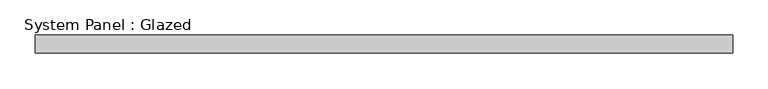
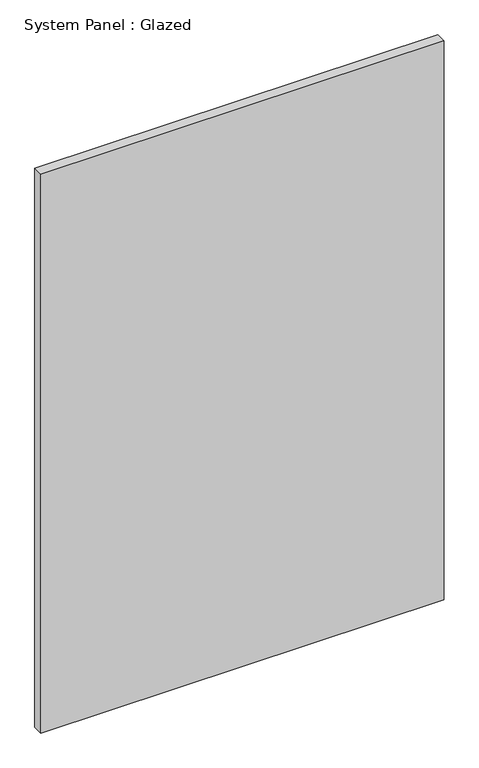
"""IFC4 building model written with IfcOpenShell, lengths in millimetres: plate geometry, System Panel : Glazed."""

import ifcopenshell
import ifcopenshell.guid

model = None  # the IFC model being written
_history = None  # IfcOwnerHistory: only IFC2X3 demands one
_inside = {}  # id of a spatial element -> (the spatial element, [elements in it])
_under = {}  # id of a project, library or spatial element -> (it, [spatial elements below it])
_declared = {}  # id of a project -> (the project, [libraries it declares])
_typed = {}  # id of a type object -> (the type object, [elements of that type])
_made_of = {}  # id of a material, layer set ... -> (it, [elements and type objects made of it])


def new_model(schema):
    """Start an empty IFC model of exactly this schema.

    Asked for "IFC4X3", IfcOpenShell would pick the latest addendum, in which some entities
    have other attributes; the version numbers below select the first issue.
    IFC2X3 requires an IfcOwnerHistory on every rooted entity: one is made here for all.
    """
    global model, _history
    if schema == "IFC4X3":
        model = ifcopenshell.file(schema_version=(4, 3, 0, 0))
    else:
        model = ifcopenshell.file(schema=schema)
    _inside.clear()
    _under.clear()
    _declared.clear()
    _typed.clear()
    _made_of.clear()
    _history = None
    if model.schema == "IFC2X3":
        org = make("IfcOrganization", Name="unknown")
        user = make(
            "IfcPersonAndOrganization",
            ThePerson=make("IfcPerson", FamilyName="unknown"),
            TheOrganization=org,
        )
        app = make(
            "IfcApplication",
            ApplicationDeveloper=org,
            Version="unknown",
            ApplicationFullName="unknown",
            ApplicationIdentifier="unknown",
        )
        _history = make(
            "IfcOwnerHistory",
            OwningUser=user,
            OwningApplication=app,
            ChangeAction="ADDED",
            CreationDate=0,
        )
    return model


def make(cls, **values):
    """One entity of the class cls with the attributes given. An attribute that is None is left unset."""
    return model.create_entity(
        cls, **{name: value for name, value in values.items() if value is not None}
    )


def rooted(cls, **values):
    """An entity with a GlobalId (a new one), such as an element, a storey or a relation."""
    return make(cls, GlobalId=ifcopenshell.guid.new(), OwnerHistory=_history, **values)


def si_unit(unit_type, name, prefix=None):
    """IfcSIUnit, for example si_unit("LENGTHUNIT", "METRE", prefix="MILLI")."""
    return make("IfcSIUnit", UnitType=unit_type, Prefix=prefix, Name=name)


def assignment(units):
    """IfcUnitAssignment: the units of a project."""
    return None if units is None else make("IfcUnitAssignment", Units=units)


def point(xyz):
    """IfcCartesianPoint."""
    return None if xyz is None else make("IfcCartesianPoint", Coordinates=xyz)


def direction(xyz):
    """IfcDirection."""
    return None if xyz is None else make("IfcDirection", DirectionRatios=xyz)


def frame(location, z_axis=None, x_axis=None):
    """IfcAxis2Placement3D, a coordinate frame: its origin and axes. An axis left out is left unset."""
    return make(
        "IfcAxis2Placement3D",
        Location=point(location),
        Axis=direction(z_axis),
        RefDirection=direction(x_axis),
    )


def origin():
    """The frame at (0, 0, 0) with its axes left unset."""
    return frame((0.0, 0.0, 0.0))


def origin_with_axes():
    """The frame at (0, 0, 0) with the z axis (0, 0, 1) and the x axis (1, 0, 0) written out."""
    return frame((0.0, 0.0, 0.0), z_axis=(0.0, 0.0, 1.0), x_axis=(1.0, 0.0, 0.0))


def place(relative_to, where):
    """IfcLocalPlacement: puts the frame where relative to a parent placement (None: the world)."""
    return make(
        "IfcLocalPlacement", PlacementRelTo=relative_to, RelativePlacement=where
    )


def context(
    kind, dimensions, precision=None, world=None, true_north=None, identifier=None
):
    """IfcGeometricRepresentationContext, for example the 3D "Model" context."""
    return make(
        "IfcGeometricRepresentationContext",
        ContextIdentifier=identifier,
        ContextType=kind,
        CoordinateSpaceDimension=dimensions,
        Precision=precision,
        WorldCoordinateSystem=world,
        TrueNorth=true_north,
    )


def project(units=None, contexts=None):
    """IfcProject with its units and contexts."""
    return rooted(
        "IfcProject",
        Name="project",
        RepresentationContexts=contexts,
        UnitsInContext=assignment(units),
    )


def spatial(cls, under=None, at=None, **own):
    """A site, building, storey or space (cls), placed at a placement, below another one or the project."""
    s = rooted(cls, ObjectPlacement=at, **own)
    if under is not None:
        _under.setdefault(under.id(), (under, []))[1].append(s)
    return s


def polyline(points):
    """IfcPolyline through the points."""
    return make("IfcPolyline", Points=[point(p) for p in points])


def outline(outer, holes=None, kind="AREA"):
    """IfcArbitraryClosedProfileDef: a profile drawn as a closed curve; with holes, ...WithVoids."""
    if holes is None:
        return make("IfcArbitraryClosedProfileDef", ProfileType=kind, OuterCurve=outer)
    return make(
        "IfcArbitraryProfileDefWithVoids",
        ProfileType=kind,
        OuterCurve=outer,
        InnerCurves=holes,
    )


def extrude(swept, where, along, depth):
    """IfcExtrudedAreaSolid: the profile swept, set in the frame where, extruded along a direction by depth."""
    return make(
        "IfcExtrudedAreaSolid",
        SweptArea=swept,
        Position=where,
        ExtrudedDirection=direction(along),
        Depth=depth,
    )


def shape(context_of_items, identifier, shape_type, items):
    """IfcShapeRepresentation: the items that make up one representation, for example the "Body"."""
    return make(
        "IfcShapeRepresentation",
        ContextOfItems=context_of_items,
        RepresentationIdentifier=identifier,
        RepresentationType=shape_type,
        Items=items,
    )


def source(mapping_origin, context_of_items, identifier, shape_type, items):
    """IfcRepresentationMap: a shape defined once, which mapped items show again and again."""
    return make(
        "IfcRepresentationMap",
        MappingOrigin=mapping_origin,
        MappedRepresentation=shape(context_of_items, identifier, shape_type, items),
    )


def transform(
    local_origin,
    x_axis=None,
    y_axis=None,
    z_axis=None,
    scale=None,
    scale2=None,
    scale3=None,
    uniform=True,
):
    """IfcCartesianTransformationOperator3D, or its non-uniform kind. x_axis, y_axis, z_axis: its Axis1, 2, 3."""
    if uniform:
        return make(
            "IfcCartesianTransformationOperator3D",
            Axis1=direction(x_axis),
            Axis2=direction(y_axis),
            LocalOrigin=point(local_origin),
            Scale=scale,
            Axis3=direction(z_axis),
        )
    return make(
        "IfcCartesianTransformationOperator3DnonUniform",
        Axis1=direction(x_axis),
        Axis2=direction(y_axis),
        LocalOrigin=point(local_origin),
        Scale=scale,
        Axis3=direction(z_axis),
        Scale2=scale2,
        Scale3=scale3,
    )


def mapped(mapping_source, mapping_target):
    """IfcMappedItem: shows the shape of a source again, moved by a transform."""
    return make(
        "IfcMappedItem", MappingSource=mapping_source, MappingTarget=mapping_target
    )


def made_of(thing, what):
    """Note that an element or type object is made of a material, layer set ...; save() writes the relation."""
    if what is not None:
        _made_of.setdefault(what.id(), (what, []))[1].append(thing)
    return thing


def element(
    cls,
    number,
    at=None,
    inside=None,
    cuts=None,
    type_object=None,
    material=None,
    context=None,
    identifier="Body",
    shape_type=None,
    held_by="IfcProductDefinitionShape",
    body=None,
    shapes=None,
    **own,
):
    """One element of the class cls, such as IfcWall. Its Tag is "e" and its number.

    at: its placement. inside: the storey or other place that contains it. cuts: it is an
    opening in that element (IfcRelVoidsElement). A single representation is given by context,
    identifier, shape_type and body (its items); several are given by shapes. held_by: the class
    of the entity that holds the representations. save() writes the other relations.
    """
    e = rooted(cls, Tag="e%d" % number, ObjectPlacement=at, **own)
    if body is not None:
        shapes = [shape(context, identifier, shape_type, body)]
    if shapes is not None:
        e.Representation = make(held_by, Representations=shapes)
    if inside is not None:
        _inside.setdefault(inside.id(), (inside, []))[1].append(e)
    if cuts is not None:
        rooted(
            "IfcRelVoidsElement", RelatingBuildingElement=cuts, RelatedOpeningElement=e
        )
    if type_object is not None:
        _typed.setdefault(type_object.id(), (type_object, []))[1].append(e)
    return made_of(e, material)


def aggregate(whole, parts):
    """IfcRelAggregates: a whole, such as a stair, and the parts it consists of."""
    return rooted("IfcRelAggregates", RelatingObject=whole, RelatedObjects=parts)


def save(model, path):
    """Write the relations noted so far, then the file.

    IfcRelAggregates (storeys below a building ...), IfcRelContainedInSpatialStructure (elements
    in a storey), IfcRelDefinesByType, IfcRelAssociatesMaterial and IfcRelDeclares: one each for
    every whole, place, type object, material and project.
    """
    for whole, parts in _under.values():
        aggregate(whole, parts)
    for where, things in _inside.values():
        rooted(
            "IfcRelContainedInSpatialStructure",
            RelatedElements=things,
            RelatingStructure=where,
        )
    for kind, things in _typed.values():
        rooted("IfcRelDefinesByType", RelatedObjects=things, RelatingType=kind)
    for what, things in _made_of.values():
        rooted("IfcRelAssociatesMaterial", RelatedObjects=things, RelatingMaterial=what)
    for by, libraries in _declared.values():
        rooted("IfcRelDeclares", RelatingContext=by, RelatedDefinitions=libraries)
    model.write(path)


def system_panel_glazed_6cfe5ccd(model_context):
    return source(origin(), model_context, "Body", "SweptSolid", [
        extrude(outline(polyline([(492.125, -12.7), (-492.125, -12.7), (-492.125, 12.7), (492.125, 12.7), (492.125, -12.7)])), origin_with_axes(), (0.0, 0.0, 1.0), 1441.45),
    ])


if __name__ == "__main__":
    model = new_model("IFC4")
    model_context = context("Model", 3, world=origin())
    ifc_project = project(units=[si_unit("LENGTHUNIT", "METRE", prefix="MILLI")], contexts=[model_context])
    site = spatial("IfcSite", under=ifc_project)
    building = spatial("IfcBuilding", under=site)
    placement = place(None, origin())
    system_panel_glazed_shape = system_panel_glazed_6cfe5ccd(model_context)
    element("IfcPlate", 1, ObjectType="System Panel : Glazed", at=placement, inside=building, context=model_context, shape_type="MappedRepresentation", body=[
        mapped(system_panel_glazed_shape, transform((0.0, 0.0, 0.0), x_axis=(1.0, 0.0, 0.0), y_axis=(0.0, 1.0, 0.0), z_axis=(0.0, 0.0, 1.0))),
    ])
    save(model, "model.ifc")
